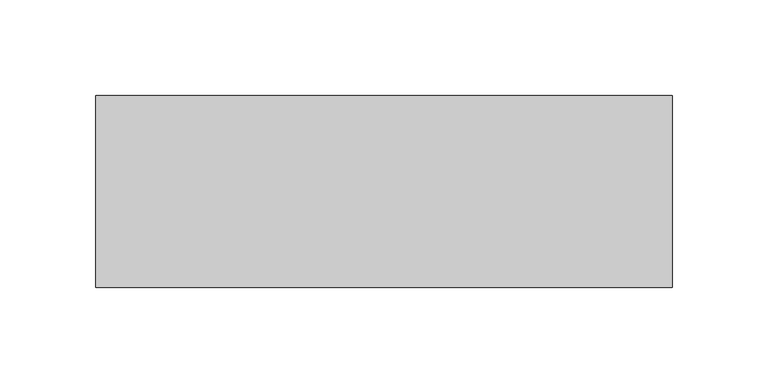
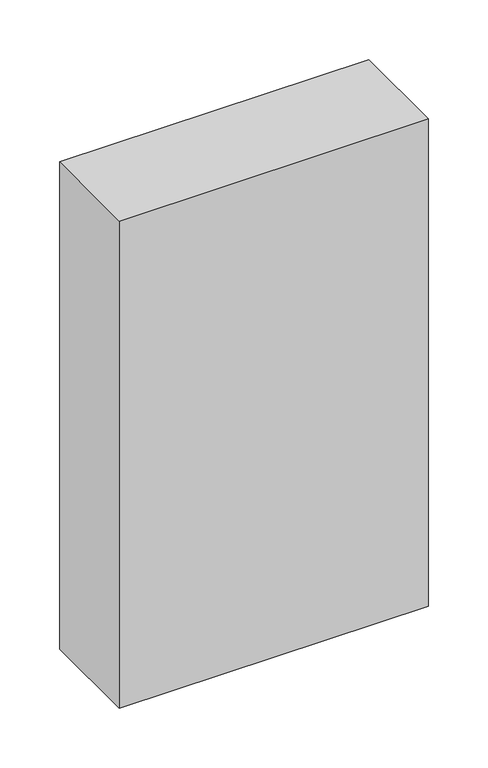
"""IFC4 building model written with IfcOpenShell, lengths in millimetres: proxy geometry."""

from ifc_helpers import new_model, si_unit, origin, origin_with_axes, place, context, project, spatial, polyline, outline, extrude, source, transform, mapped, element, save


def specialty_equipment_9b1b7b74(model_context):
    return source(origin(), model_context, "Body", "SweptSolid", [
        extrude(outline(polyline([(300.0375, 0.0), (300.0375, -100.0), (0.0, -100.0), (0.0, 0.0), (300.0375, 0.0)])), origin_with_axes(), (0.0, 0.0, 1.0), 500.0),
    ])


if __name__ == "__main__":
    model = new_model("IFC4")
    model_context = context("Model", 3, world=origin())
    ifc_project = project(units=[si_unit("LENGTHUNIT", "METRE", prefix="MILLI")], contexts=[model_context])
    site = spatial("IfcSite", under=ifc_project)
    building = spatial("IfcBuilding", under=site)
    placement = place(None, origin())
    specialty_equipment_shape = specialty_equipment_9b1b7b74(model_context)
    element("IfcBuildingElementProxy", 1, Name="Specialty Equipment", at=placement, inside=building, context=model_context, shape_type="MappedRepresentation", body=[
        mapped(specialty_equipment_shape, transform((0.0, 0.0, 0.0), x_axis=(1.0, 0.0, 0.0), y_axis=(0.0, 1.0, 0.0), z_axis=(0.0, 0.0, 1.0))),
    ])
    save(model, "model.ifc")
